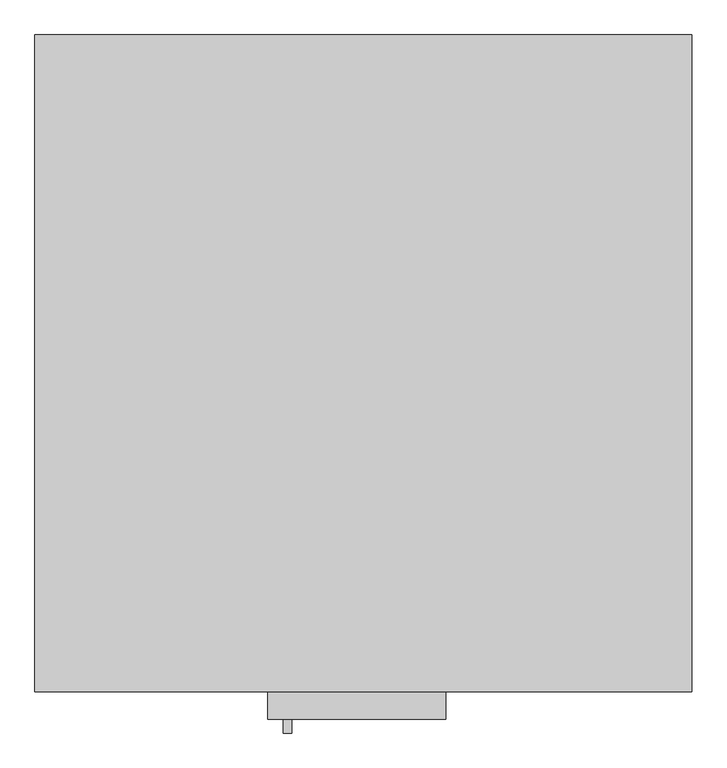
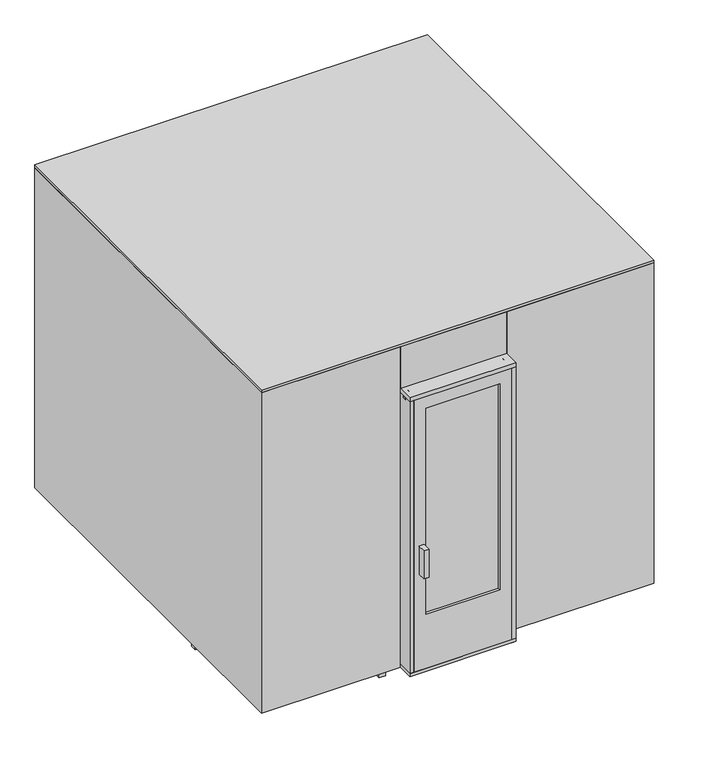
"""IFC4 building model written with IfcOpenShell, lengths in millimetres: proxy geometry."""

from ifc_helpers import new_model, si_unit, frame, origin, origin_with_axes, place, context, project, spatial, polyline, outline, extrude, faceted_brep, source, transform, mapped, element, save


def specialty_equipment_5c589bdb(model_context):
    return source(origin(), model_context, "Body", "SolidModel", [
        extrude(outline(polyline([(-298.4476025, -1320.8), (-266.6976025, -1320.8), (-266.6976025, -1371.6), (-298.4476025, -1371.6), (-298.4476025, -1320.8)])), frame((0.0, 0.0, 690.6515052), z_axis=(0.0, 0.0, 1.0), x_axis=(1.0, 0.0, 0.0)), (0.0, 0.0, 1.0), 184.15),
        extrude(outline(polyline([(304.8, -1201.7375), (304.8, -1320.8), (-355.6, -1320.8), (-355.6, -1201.7375), (304.8, -1201.7375)])), frame((0.0, 0.0, 38.1), z_axis=(0.0, 0.0, 1.0), x_axis=(1.0, 0.0, 0.0)), (0.0, 0.0, 1.0), 19.05),
        extrude(outline(polyline([(304.8, -1254.125), (304.8, -1276.35), (-355.6, -1276.35), (-355.6, -1254.125), (304.8, -1254.125)])), frame((0.0, 0.0, 1828.8), z_axis=(0.0, 0.0, 1.0), x_axis=(1.0, 0.0, 0.0)), (0.0, 0.0, 1.0), 12.7),
        extrude(outline(polyline([(-1320.8, 1841.5), (-1320.8, 1866.9), (-1201.7375, 1866.9), (-1201.7375, 1885.95), (-1189.0375, 1885.95), (-1189.0375, 1854.2), (-1201.7375, 1854.2), (-1201.7375, 1841.5), (-1320.8, 1841.5)])), frame((-355.6, 0.0, 0.0), z_axis=(1.0, 0.0, 0.0), x_axis=(0.0, 1.0, 0.0)), (0.0, 0.0, 1.0), 660.4),
        faceted_brep([(-374.65, -1201.7375, 38.1), (-374.65, -1189.0375, 38.1), (-330.2, -1189.0375, 38.1), (-330.2, -1320.8, 38.1), (-355.6, -1320.8, 38.1), (-355.6, -1201.7375, 38.1), (-374.65, -1189.0375, 1885.95), (-374.65, -1201.7375, 1885.95), (-355.6, -1189.0375, 1885.95), (-355.6, -1189.0375, 1841.5), (-330.2, -1189.0375, 1841.5), (-330.2, -1320.8, 1841.5), (-355.6, -1320.8, 1841.5), (-355.6, -1201.7375, 1841.5), (-355.6, -1201.7375, 1885.95)], [[[0, 1, 2, 3, 4, 5]], [[6, 1, 0, 7]], [[2, 1, 6, 8, 9, 10]], [[10, 11, 3, 2]], [[11, 12, 4, 3]], [[12, 13, 5, 4]], [[0, 5, 13, 14, 7]], [[13, 12, 11, 10, 9]], [[9, 8, 14, 13]], [[8, 6, 7, 14]]]),
        faceted_brep([(323.85, -1201.7375, 38.1), (304.8, -1201.7375, 38.1), (304.8, -1320.8, 38.1), (279.4, -1320.8, 38.1), (279.4, -1189.0375, 38.1), (323.85, -1189.0375, 38.1), (279.4, -1189.0375, 1841.5), (304.8, -1189.0375, 1841.5), (304.8, -1189.0375, 1885.95), (323.85, -1189.0375, 1885.95), (323.85, -1201.7375, 1885.95), (304.8, -1201.7375, 1885.95), (304.8, -1201.7375, 1841.5), (304.8, -1320.8, 1841.5), (279.4, -1320.8, 1841.5)], [[[0, 1, 2, 3, 4, 5]], [[5, 4, 6, 7, 8, 9]], [[10, 11, 12, 1, 0]], [[12, 13, 2, 1]], [[13, 14, 3, 2]], [[14, 6, 4, 3]], [[10, 0, 5, 9]], [[6, 14, 13, 12, 7]], [[9, 8, 11, 10]], [[8, 7, 12, 11]]]),
        extrude(outline(polyline([(-254.0, -1292.225), (203.2, -1292.225), (203.2, -1304.925), (-254.0, -1304.925), (-254.0, -1292.225)])), frame((0.0, 0.0, 412.75), z_axis=(0.0, 0.0, 1.0), x_axis=(1.0, 0.0, 0.0)), (0.0, 0.0, 1.0), 1352.55),
        extrude(outline(polyline([(57.15, -330.2), (57.15, 279.4), (1841.5, 279.4), (1841.5, -330.2), (57.15, -330.2)]), holes=[polyline([(412.75, -254.0), (1765.3, -254.0), (1765.3, 203.2), (412.75, 203.2), (412.75, -254.0)])]), frame((0.0, -1320.8, 0.0), z_axis=(0.0, 1.0, 0.0), x_axis=(0.0, 0.0, 1.0)), (0.0, 0.0, 1.0), 44.45),
        extrude(outline(polyline([(-311.15, -1276.35), (-330.2, -1276.35), (-330.2, -1254.125), (-311.15, -1254.125), (-311.15, -1276.35)])), frame((0.0, 0.0, 38.1), z_axis=(0.0, 0.0, 1.0), x_axis=(1.0, 0.0, 0.0)), (0.0, 0.0, 1.0), 1828.8),
        extrude(outline(polyline([(260.35, -1276.35), (260.35, -1254.125), (279.4, -1254.125), (279.4, -1276.35), (260.35, -1276.35)])), frame((0.0, 0.0, 38.1), z_axis=(0.0, 0.0, 1.0), x_axis=(1.0, 0.0, 0.0)), (0.0, 0.0, 1.0), 1828.8),
        extrude(outline(polyline([(-620.7125, -693.7375), (-620.7125, -1125.5375), (-1125.5375, -1125.5375), (-1125.5375, -693.7375), (-620.7125, -693.7375)])), origin_with_axes(), (0.0, 0.0, 1.0), 698.5),
        extrude(outline(polyline([(-439.7375, -1201.7375), (-477.8375, -1201.7375), (-477.8375, -477.8375), (-1201.7375, -477.8375), (-1201.7375, -439.7375), (-439.7375, -439.7375), (-439.7375, -1201.7375)])), origin_with_axes(), (0.0, 0.0, 1.0), 800.1),
        extrude(outline(polyline([(457.2, 896.9375), (457.2, 855.6625), (419.1, 855.6625), (419.1, 846.1375), (457.2, 846.1375), (457.2, 808.0375), (419.1, 808.0375), (419.1, 798.5125), (457.2, 798.5125), (457.2, 760.4125), (419.1, 760.4125), (419.1, 750.8875), (457.2, 750.8875), (457.2, 712.7875), (419.1, 712.7875), (419.1, 703.2625), (457.2, 703.2625), (457.2, 665.1625), (419.1, 665.1625), (419.1, 655.6375), (457.2, 655.6375), (457.2, 617.5375), (419.1, 617.5375), (419.1, 608.0125), (457.2, 608.0125), (457.2, 569.9125), (419.1, 569.9125), (419.1, 560.3875), (457.2, 560.3875), (457.2, 522.2875), (419.1, 522.2875), (419.1, 512.7625), (457.2, 512.7625), (457.2, 474.6625), (419.1, 474.6625), (419.1, 465.1375), (457.2, 465.1375), (457.2, 388.9375), (330.2, 388.9375), (330.2, 427.0375), (342.9, 427.0375), (342.9, 896.9375), (457.2, 896.9375)])), frame((0.0, -1201.7375, 0.0), z_axis=(0.0, 1.0, 0.0), x_axis=(0.0, 0.0, 1.0)), (0.0, 0.0, 1.0), 1489.075),
        extrude(outline(polyline([(795.3375, 457.2), (795.3375, 342.9), (325.4375, 342.9), (325.4375, 330.2), (287.3375, 330.2), (287.3375, 457.2), (363.5375, 457.2), (363.5375, 419.1), (373.0625, 419.1), (373.0625, 457.2), (411.1625, 457.2), (411.1625, 419.1), (420.6875, 419.1), (420.6875, 457.2), (458.7875, 457.2), (458.7875, 419.1), (468.3125, 419.1), (468.3125, 457.2), (506.4125, 457.2), (506.4125, 419.1), (515.9375, 419.1), (515.9375, 457.2), (554.0375, 457.2), (554.0375, 419.1), (563.5625, 419.1), (563.5625, 457.2), (601.6625, 457.2), (601.6625, 419.1), (611.1875, 419.1), (611.1875, 457.2), (649.2875, 457.2), (649.2875, 419.1), (658.8125, 419.1), (658.8125, 457.2), (696.9125, 457.2), (696.9125, 419.1), (706.4375, 419.1), (706.4375, 457.2), (744.5375, 457.2), (744.5375, 419.1), (754.0625, 419.1), (754.0625, 457.2), (795.3375, 457.2)])), frame((-1201.7375, 0.0, 0.0), z_axis=(1.0, 0.0, 0.0), x_axis=(0.0, 1.0, 0.0)), (0.0, 0.0, 1.0), 2403.475),
        extrude(outline(polyline([(1201.7375, 914.4), (1201.7375, 800.1), (731.8375, 800.1), (731.8375, 787.4), (693.7375, 787.4), (693.7375, 914.4), (769.9375, 914.4), (769.9375, 876.3), (779.4625, 876.3), (779.4625, 914.4), (817.5625, 914.4), (817.5625, 876.3), (827.0875, 876.3), (827.0875, 914.4), (865.1875, 914.4), (865.1875, 876.3), (874.7125, 876.3), (874.7125, 914.4), (912.8125, 914.4), (912.8125, 876.3), (922.3375, 876.3), (922.3375, 914.4), (960.4375, 914.4), (960.4375, 876.3), (969.9625, 876.3), (969.9625, 914.4), (1008.0625, 914.4), (1008.0625, 876.3), (1017.5875, 876.3), (1017.5875, 914.4), (1055.6875, 914.4), (1055.6875, 876.3), (1065.2125, 876.3), (1065.2125, 914.4), (1103.3125, 914.4), (1103.3125, 876.3), (1112.8375, 876.3), (1112.8375, 914.4), (1150.9375, 914.4), (1150.9375, 876.3), (1160.4625, 876.3), (1160.4625, 914.4), (1201.7375, 914.4)])), frame((-1201.7375, 0.0, 0.0), z_axis=(1.0, 0.0, 0.0), x_axis=(0.0, 1.0, 0.0)), (0.0, 0.0, 1.0), 2403.475),
        extrude(outline(polyline([(914.4, 1201.7375), (914.4, 1160.4625), (876.3, 1160.4625), (876.3, 1150.9375), (914.4, 1150.9375), (914.4, 1112.8375), (876.3, 1112.8375), (876.3, 1103.3125), (914.4, 1103.3125), (914.4, 1065.2125), (876.3, 1065.2125), (876.3, 1055.6875), (914.4, 1055.6875), (914.4, 1017.5875), (876.3, 1017.5875), (876.3, 1008.0625), (914.4, 1008.0625), (914.4, 969.9625), (876.3, 969.9625), (876.3, 960.4375), (914.4, 960.4375), (914.4, 922.3375), (876.3, 922.3375), (876.3, 912.8125), (914.4, 912.8125), (914.4, 874.7125), (876.3, 874.7125), (876.3, 865.1875), (914.4, 865.1875), (914.4, 827.0875), (876.3, 827.0875), (876.3, 817.5625), (914.4, 817.5625), (914.4, 779.4625), (876.3, 779.4625), (876.3, 769.9375), (914.4, 769.9375), (914.4, 693.7375), (787.4, 693.7375), (787.4, 731.8375), (800.1, 731.8375), (800.1, 1201.7375), (914.4, 1201.7375)])), frame((0.0, -1201.7375, 0.0), z_axis=(0.0, 1.0, 0.0), x_axis=(0.0, 0.0, 1.0)), (0.0, 0.0, 1.0), 1895.475),
        extrude(outline(polyline([(-355.6, -1201.7375), (-355.6, -1219.2), (-1219.2, -1219.2), (-1219.2, 1219.2), (1219.2, 1219.2), (1219.2, -1219.2), (304.8, -1219.2), (304.8, -1201.7375), (1201.7375, -1201.7375), (1201.7375, 1201.7375), (-1201.7375, 1201.7375), (-1201.7375, -1201.7375), (-355.6, -1201.7375)])), frame((0.0, 0.0, 38.1), z_axis=(0.0, 0.0, 1.0), x_axis=(1.0, 0.0, 0.0)), (0.0, 0.0, 1.0), 2103.4375),
        extrude(outline(polyline([(1219.2, 1219.2), (1219.2, -1219.2), (-1219.2, -1219.2), (-1219.2, 1219.2), (1219.2, 1219.2)])), frame((0.0, 0.0, 2141.5375), z_axis=(0.0, 0.0, 1.0), x_axis=(1.0, 0.0, 0.0)), (0.0, 0.0, 1.0), 17.4625),
        extrude(outline(polyline([(304.8, -1201.7375), (304.8, -1219.2), (-355.6, -1219.2), (-355.6, -1201.7375), (304.8, -1201.7375)])), frame((0.0, 0.0, 1866.9), z_axis=(0.0, 0.0, 1.0), x_axis=(1.0, 0.0, 0.0)), (0.0, 0.0, 1.0), 274.6375),
    ])


if __name__ == "__main__":
    model = new_model("IFC4")
    model_context = context("Model", 3, world=origin())
    ifc_project = project(units=[si_unit("LENGTHUNIT", "METRE", prefix="MILLI")], contexts=[model_context])
    site = spatial("IfcSite", under=ifc_project)
    building = spatial("IfcBuilding", under=site)
    placement = place(None, origin())
    specialty_equipment_shape = specialty_equipment_5c589bdb(model_context)
    element("IfcBuildingElementProxy", 1, Name="Specialty Equipment", at=placement, inside=building, context=model_context, shape_type="MappedRepresentation", body=[
        mapped(specialty_equipment_shape, transform((0.0, 0.0, 0.0), x_axis=(1.0, 0.0, 0.0), y_axis=(0.0, 1.0, 0.0), z_axis=(0.0, 0.0, 1.0))),
    ])
    save(model, "model.ifc")
